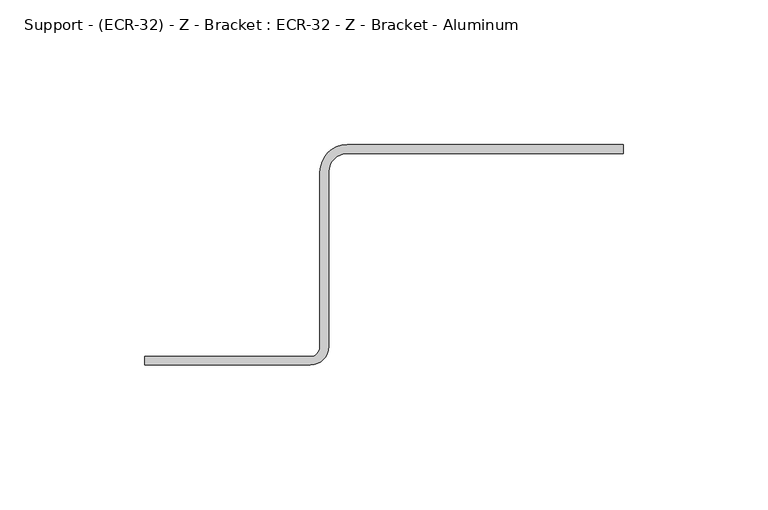
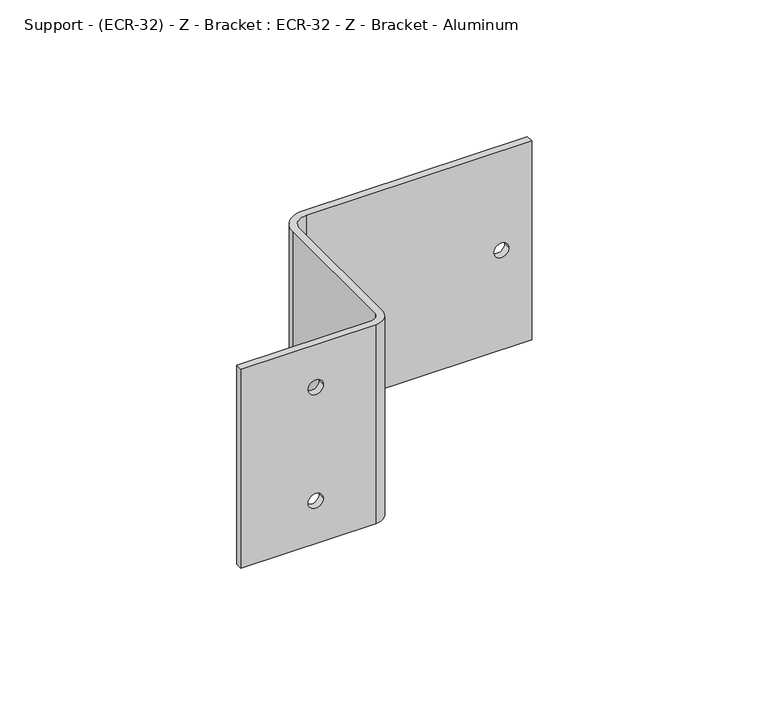
"""IFC4 building model written with IfcOpenShell, lengths in millimetres: proxy geometry, Support - (ECR-32) - Z - Bracket : ECR-32 - Z - Bracket - Aluminum."""

from ifc_helpers import new_model, si_unit, frame, origin, place, context, project, spatial, polyline, circle_curve, source, transform, mapped, element, save
from ifc_brep_helpers import plane_surface, cylinder_surface, revolved_surface, advanced_brep


def support_ecr_32_z_bracket_ecr_32_z_bracket_aluminum_b4b8ed18(model_context):
    return source(origin(), model_context, "Body", "AdvancedBrep", [
        advanced_brep(
        [(-19.05, 69.9100152, 95.25), (-12.7, 76.2600152, 95.25), (82.55, 76.2600152, 95.25), (82.55, 79.2852417, 95.25), (-12.7, 79.2852417, 95.25), (-22.098, 69.8872417, 95.25), (-22.098, 9.443547, 95.25), (-25.4, 6.141547, 95.25), (-82.55, 6.141547, 95.25), (-82.55, 3.175, 95.25), (-25.4, 3.175, 95.25), (-19.05, 9.525, 95.25), (-19.05, 69.9100152, 6.35), (-19.05, 9.525, 6.35), (-25.4, 3.175, 6.35), (-82.55, 3.175, 6.35), (-82.55, 6.141547, 6.35), (-25.4, 6.141547, 6.35), (-22.098, 9.443547, 6.35), (-22.098, 69.8872417, 6.35), (-12.7, 79.2852417, 6.35), (82.55, 79.2852417, 6.35), (82.55, 76.2600152, 6.35), (-12.7, 76.2600152, 6.35), (73.025, 76.2600152, 50.8), (66.675, 76.2600152, 50.8), (9.525, 76.2600152, 50.8), (3.175, 76.2600152, 50.8), (66.675, 79.2852417, 50.8), (73.025, 79.2852417, 50.8), (3.175, 79.2852417, 50.8), (9.525, 79.2852417, 50.8), (-54.0216069, 6.141547, 25.4), (-47.5783931, 6.141547, 25.4), (-54.0216069, 6.141547, 76.2), (-47.5783931, 6.141547, 76.2), (-47.5783931, 3.175, 25.4), (-54.0216069, 3.175, 25.4), (-47.5783931, 3.175, 76.2), (-54.0216069, 3.175, 76.2)],
        [
            (0, 1, circle_curve(frame((-12.7, 69.9100152, 95.25), z_axis=(0.0, 0.0, -1.0), x_axis=(1.0, 0.0, 0.0)), 6.35)),
            (1, 2),
            (2, 3),
            (3, 4),
            (4, 5, circle_curve(frame((-12.7, 69.8872417, 95.25), z_axis=(0.0, 0.0, 1.0), x_axis=(1.0, 0.0, 0.0)), 9.398)),
            (5, 6),
            (6, 7, circle_curve(frame((-25.4, 9.443547, 95.25), z_axis=(0.0, 0.0, -1.0), x_axis=(1.0, 0.0, 0.0)), 3.302)),
            (7, 8),
            (8, 9),
            (9, 10),
            (10, 11, circle_curve(frame((-25.4, 9.525, 95.25), z_axis=(0.0, 0.0, 1.0), x_axis=(1.0, 0.0, 0.0)), 6.35)),
            (11, 0),
            (12, 13),
            (13, 14, circle_curve(frame((-25.4, 9.525, 6.35), z_axis=(0.0, 0.0, -1.0), x_axis=(1.0, 0.0, 0.0)), 6.35)),
            (14, 15),
            (15, 16),
            (16, 17),
            (17, 18, circle_curve(frame((-25.4, 9.443547, 6.35), z_axis=(0.0, 0.0, 1.0), x_axis=(1.0, 0.0, 0.0)), 3.302)),
            (18, 19),
            (19, 20, circle_curve(frame((-12.7, 69.8872417, 6.35), z_axis=(0.0, 0.0, -1.0), x_axis=(1.0, 0.0, 0.0)), 9.398)),
            (20, 21),
            (21, 22),
            (22, 23),
            (23, 12, circle_curve(frame((-12.7, 69.9100152, 6.35), z_axis=(0.0, 0.0, 1.0), x_axis=(1.0, 0.0, 0.0)), 6.35)),
            (0, 12),
            (23, 1),
            (22, 2),
            (24, 25, circle_curve(frame((69.85, 76.2600152, 50.8), z_axis=(0.0, 1.0, 0.0), x_axis=(1.0, 0.0, 0.0)), 3.175)),
            (25, 24, circle_curve(frame((69.85, 76.2600152, 50.8), z_axis=(0.0, 1.0, 0.0), x_axis=(1.0, 0.0, 0.0)), 3.175)),
            (26, 27, circle_curve(frame((6.35, 76.2600152, 50.8), z_axis=(0.0, 1.0, 0.0), x_axis=(1.0, 0.0, 0.0)), 3.175)),
            (27, 26, circle_curve(frame((6.35, 76.2600152, 50.8), z_axis=(0.0, 1.0, 0.0), x_axis=(1.0, 0.0, 0.0)), 3.175)),
            (21, 3),
            (20, 4),
            (28, 29, circle_curve(frame((69.85, 79.2852417, 50.8), z_axis=(0.0, -1.0, 0.0), x_axis=(1.0, 0.0, 0.0)), 3.175)),
            (29, 28, circle_curve(frame((69.85, 79.2852417, 50.8), z_axis=(0.0, -1.0, 0.0), x_axis=(1.0, 0.0, 0.0)), 3.175)),
            (30, 31, circle_curve(frame((6.35, 79.2852417, 50.8), z_axis=(0.0, -1.0, 0.0), x_axis=(1.0, 0.0, 0.0)), 3.175)),
            (31, 30, circle_curve(frame((6.35, 79.2852417, 50.8), z_axis=(0.0, -1.0, 0.0), x_axis=(1.0, 0.0, 0.0)), 3.175)),
            (19, 5),
            (18, 6),
            (17, 7),
            (16, 8),
            (32, 33, circle_curve(frame((-50.8, 6.141547, 25.4), z_axis=(0.0, -1.0, 0.0), x_axis=(1.0, 0.0, 0.0)), 3.2216069)),
            (33, 32, circle_curve(frame((-50.8, 6.141547, 25.4), z_axis=(0.0, -1.0, 0.0), x_axis=(1.0, 0.0, 0.0)), 3.2216069)),
            (34, 35, circle_curve(frame((-50.8, 6.141547, 76.2), z_axis=(0.0, -1.0, 0.0), x_axis=(1.0, 0.0, 0.0)), 3.2216069)),
            (35, 34, circle_curve(frame((-50.8, 6.141547, 76.2), z_axis=(0.0, -1.0, 0.0), x_axis=(1.0, 0.0, 0.0)), 3.2216069)),
            (15, 9),
            (14, 10),
            (36, 37, circle_curve(frame((-50.8, 3.175, 25.4), z_axis=(0.0, 1.0, 0.0), x_axis=(1.0, 0.0, 0.0)), 3.2216069)),
            (37, 36, circle_curve(frame((-50.8, 3.175, 25.4), z_axis=(0.0, 1.0, 0.0), x_axis=(1.0, 0.0, 0.0)), 3.2216069)),
            (38, 39, circle_curve(frame((-50.8, 3.175, 76.2), z_axis=(0.0, 1.0, 0.0), x_axis=(1.0, 0.0, 0.0)), 3.2216069)),
            (39, 38, circle_curve(frame((-50.8, 3.175, 76.2), z_axis=(0.0, 1.0, 0.0), x_axis=(1.0, 0.0, 0.0)), 3.2216069)),
            (13, 11),
            (32, 37),
            (36, 33),
            (34, 39),
            (38, 35),
            (28, 25),
            (24, 29),
            (30, 27),
            (26, 31),
        ],
        [
            plane_surface(frame((-6.35, 69.9100152, 95.25), z_axis=(0.0, 0.0, 1.0), x_axis=(0.0, -1.0, 0.0))),
            plane_surface(frame((-6.35, 69.9100152, 6.35), z_axis=(0.0, 0.0, -1.0), x_axis=(0.0, 1.0, 0.0))),
            revolved_surface(polyline([(-6.35, 69.9100152, 6.35), (-6.35, 69.9100152, 95.25)]), (-12.7, 69.9100152, 6.35), (0.0, 0.0, -1.0)),
            plane_surface(frame((-12.7, 76.2600152, 95.25), z_axis=(0.0, -1.0, 0.0), x_axis=(0.0, 0.0, -1.0))),
            plane_surface(frame((82.55, 76.2600152, 95.25), z_axis=(1.0, 0.0, 0.0), x_axis=(0.0, 0.0, -1.0))),
            plane_surface(frame((82.55, 79.2852417, 95.25), z_axis=(0.0, 1.0, 0.0), x_axis=(0.0, 0.0, -1.0))),
            cylinder_surface(frame((-12.7, 69.8872417, 6.35), z_axis=(0.0, 0.0, 1.0), x_axis=(1.0, 0.0, 0.0)), 9.398),
            plane_surface(frame((-22.098, 69.8872417, 95.25), z_axis=(-1.0, 0.0, 0.0), x_axis=(0.0, 0.0, -1.0))),
            revolved_surface(polyline([(-22.098, 9.443547, 6.35), (-22.098, 9.443547, 95.25)]), (-25.4, 9.443547, 6.35), (0.0, 0.0, -1.0)),
            plane_surface(frame((-25.4, 6.141547, 95.25), z_axis=(0.0, 1.0, 0.0), x_axis=(0.0, 0.0, -1.0))),
            plane_surface(frame((-82.55, 6.141547, 95.25), z_axis=(-1.0, 0.0, 0.0), x_axis=(0.0, 0.0, -1.0))),
            plane_surface(frame((-82.55, 3.175, 95.25), z_axis=(0.0, -1.0, 0.0), x_axis=(0.0, 0.0, -1.0))),
            cylinder_surface(frame((-25.4, 9.525, 6.35), z_axis=(0.0, 0.0, 1.0), x_axis=(1.0, 0.0, 0.0)), 6.35),
            plane_surface(frame((-19.05, 9.525, 95.25), z_axis=(1.0, 0.0, 0.0), x_axis=(0.0, 0.0, -1.0))),
            revolved_surface(polyline([(-47.5783931, 3.174999999999997, 25.4), (-47.5783931, 6.141547000000003, 25.4)]), (-50.8, 79.2852417, 25.4), (0.0, -1.0, 0.0)),
            revolved_surface(polyline([(-47.5783931, 3.175, 76.2), (-47.5783931, 6.141547, 76.2)]), (-50.8, 0.0, 76.2), (0.0, -1.0, 0.0)),
            revolved_surface(polyline([(73.02499999999999, 76.2600152, 50.8), (73.02499999999999, 79.2852417, 50.8)]), (69.85, 0.0, 50.8), (0.0, -1.0, 0.0)),
            revolved_surface(polyline([(9.524999999999999, 76.2600152, 50.8), (9.524999999999999, 79.2852417, 50.8)]), (6.35, 0.0, 50.8), (0.0, -1.0, 0.0)),
        ],
        [
            (0, [[1, 2, 3, 4, 5, 6, 7, 8, 9, 10, 11, 12]]),
            (1, [[13, 14, 15, 16, 17, 18, 19, 20, 21, 22, 23, 24]]),
            (2, [[-1, 25, -24, 26]]),
            (3, [[-2, -26, -23, 27], [28, 29], [30, 31]]),
            (4, [[-3, -27, -22, 32]]),
            (5, [[-4, -32, -21, 33], [34, 35], [36, 37]]),
            (6, [[-5, -33, -20, 38]]),
            (7, [[-6, -38, -19, 39]]),
            (8, [[-7, -39, -18, 40]]),
            (9, [[-8, -40, -17, 41], [42, 43], [44, 45]]),
            (10, [[-9, -41, -16, 46]]),
            (11, [[-10, -46, -15, 47], [48, 49], [50, 51]]),
            (12, [[-11, -47, -14, 52]]),
            (13, [[-12, -52, -13, -25]]),
            (14, [[53, -48, 54, -42]]),
            (14, [[-53, -43, -54, -49]]),
            (15, [[55, -50, 56, -44]]),
            (15, [[-55, -45, -56, -51]]),
            (16, [[57, -28, 58, -34]]),
            (16, [[-57, -35, -58, -29]]),
            (17, [[59, -30, 60, -36]]),
            (17, [[-59, -37, -60, -31]]),
        ],
    ),
    ])


if __name__ == "__main__":
    model = new_model("IFC4")
    model_context = context("Model", 3, world=origin())
    ifc_project = project(units=[si_unit("LENGTHUNIT", "METRE", prefix="MILLI")], contexts=[model_context])
    site = spatial("IfcSite", under=ifc_project)
    building = spatial("IfcBuilding", under=site)
    placement = place(None, origin())
    support_ecr_32_z_bracket_ecr_32_z_bracket_aluminum_shape = support_ecr_32_z_bracket_ecr_32_z_bracket_aluminum_b4b8ed18(model_context)
    element("IfcBuildingElementProxy", 1, Name="Support - (ECR-32) - Z - Bracket : ECR-32 - Z - Bracket - Aluminum", ObjectType="Support - (ECR-32) - Z - Bracket : ECR-32 - Z - Bracket - Aluminum", at=placement, inside=building, context=model_context, shape_type="MappedRepresentation", body=[
        mapped(support_ecr_32_z_bracket_ecr_32_z_bracket_aluminum_shape, transform((0.0, 0.0, 0.0), x_axis=(1.0, 0.0, 0.0), y_axis=(0.0, 1.0, 0.0), z_axis=(0.0, 0.0, 1.0))),
    ])
    save(model, "model.ifc")
